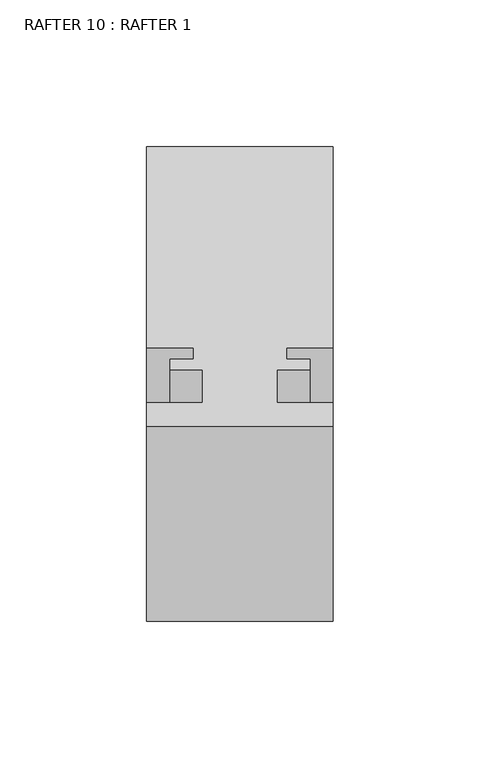
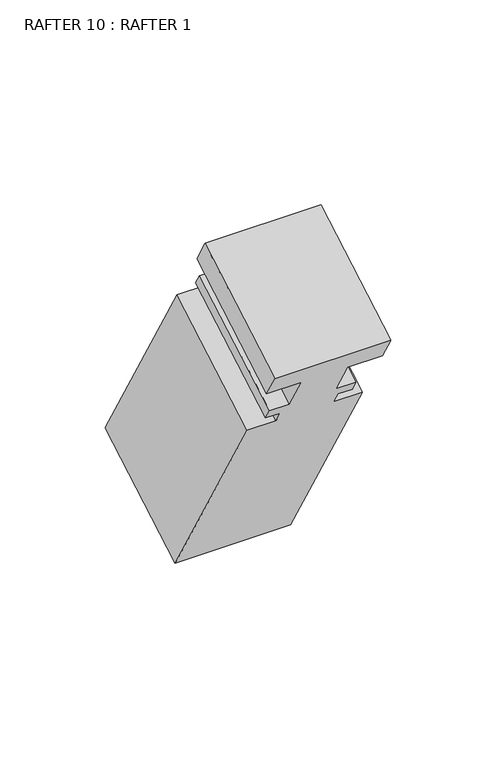
"""IFC4 building model written with IfcOpenShell, lengths in millimetres: proxy geometry, RAFTER 10 : RAFTER 1."""

from ifc_helpers import new_model, si_unit, frame, origin, place, context, project, spatial, polyline, outline, extrude, source, transform, mapped, element, save


def rafter_10_rafter_1_8307d183(model_context):
    return source(origin(), model_context, "Body", "SweptSolid", [
        extrude(outline(polyline([(63.5, 0.0), (63.5, -15.875), (44.45, -15.875), (44.45, -38.3540001), (55.5752, -38.3540001), (55.5752, -45.5168), (47.625, -45.5168), (47.625, -53.4162), (63.5, -53.4162), (63.5, -190.2312389), (0.0, -190.2312389), (0.0, -53.4162), (15.875, -53.4162), (15.875, -45.5168), (7.9248, -45.5168), (7.9248, -38.3540001), (19.05, -38.3540001), (19.05, -15.875), (0.0, -15.875), (0.0, 0.0), (63.5, 0.0)])), frame((10352.1030333, -11414.8016558, 2659.4141697), z_axis=(0.0, 0.8660254037844384, 0.5000000000000007), x_axis=(-1.0, 0.0, 0.0)), (0.0, 0.0, 1.0), 76.5572198),
    ])


if __name__ == "__main__":
    model = new_model("IFC4")
    model_context = context("Model", 3, world=origin())
    ifc_project = project(units=[si_unit("LENGTHUNIT", "METRE", prefix="MILLI")], contexts=[model_context])
    site = spatial("IfcSite", under=ifc_project)
    building = spatial("IfcBuilding", under=site)
    placement = place(None, origin())
    rafter_10_rafter_1_shape = rafter_10_rafter_1_8307d183(model_context)
    element("IfcBuildingElementProxy", 1, Name="RAFTER 10 : RAFTER 1", ObjectType="RAFTER 10 : RAFTER 1", at=placement, inside=building, context=model_context, shape_type="MappedRepresentation", body=[
        mapped(rafter_10_rafter_1_shape, transform((0.0, 0.0, 0.0), x_axis=(1.0, 0.0, 0.0), y_axis=(0.0, 1.0, 0.0), z_axis=(0.0, 0.0, 1.0))),
    ])
    save(model, "model.ifc")
